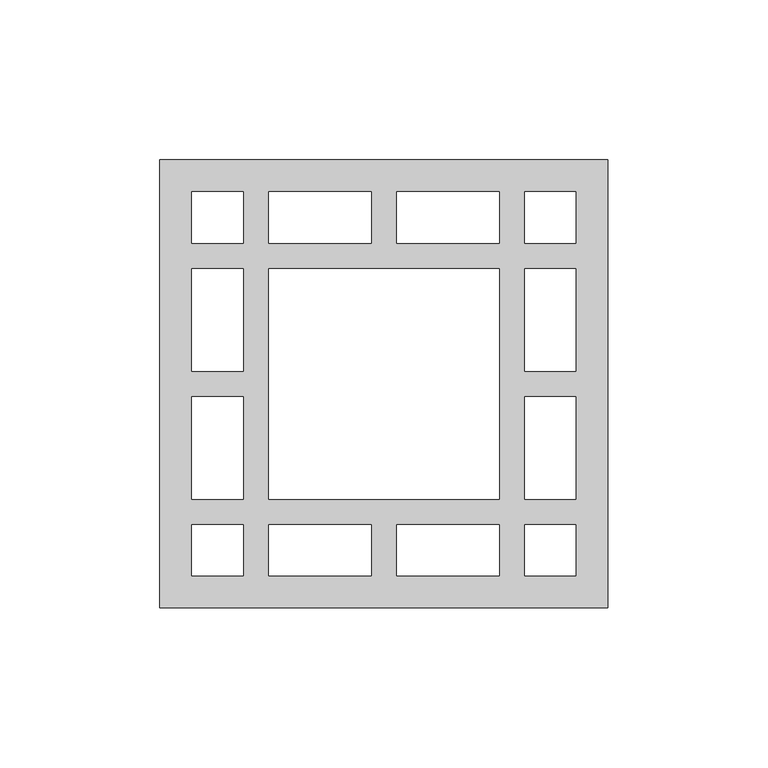
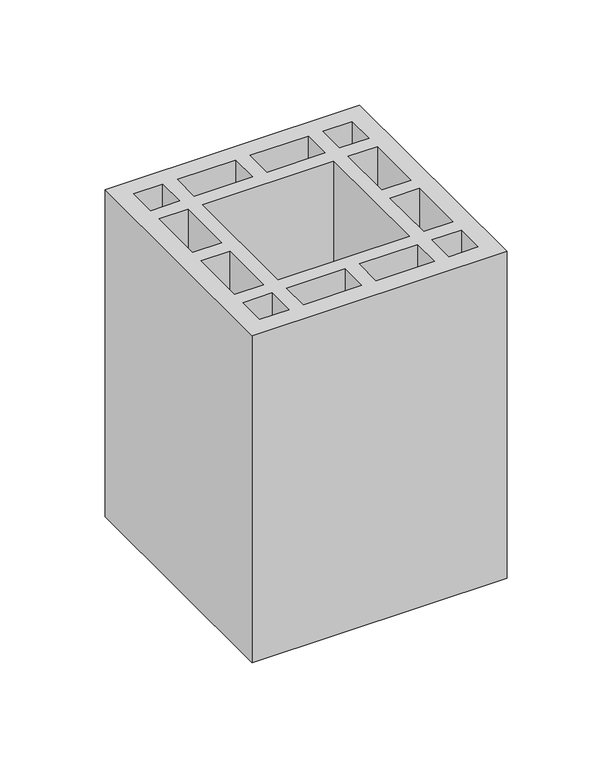
"""IFC4 building model written with IfcOpenShell, lengths in millimetres: proxy geometry."""

from ifc_helpers import new_model, si_unit, origin, origin_with_axes, place, context, project, spatial, polyline, outline, extrude, source, transform, mapped, element, save


def generic_models_c6a2eb3d(model_context):
    return source(origin(), model_context, "Body", "SweptSolid", [
        extrude(outline(polyline([(140.0, 0.0), (0.0, 0.0), (0.0, 140.0), (140.0, 140.0), (140.0, 0.0)]), holes=[polyline([(114.0, 10.0), (130.0, 10.0), (130.0, 26.0), (114.0, 26.0), (114.0, 10.0)]), polyline([(106.0, 34.0), (106.0, 106.0), (34.0, 106.0), (34.0, 34.0), (106.0, 34.0)]), polyline([(130.0, 74.0), (130.0, 106.0), (114.0, 106.0), (114.0, 74.0), (130.0, 74.0)]), polyline([(114.0, 66.0), (114.0, 34.0), (130.0, 34.0), (130.0, 66.0), (114.0, 66.0)]), polyline([(106.0, 10.0), (106.0, 26.0), (74.0, 26.0), (74.0, 10.0), (106.0, 10.0)]), polyline([(34.0, 10.0), (66.0, 10.0), (66.0, 26.0), (34.0, 26.0), (34.0, 10.0)]), polyline([(26.0, 10.0), (26.0, 26.0), (10.0, 26.0), (10.0, 10.0), (26.0, 10.0)]), polyline([(114.0, 130.0), (114.0, 114.0), (130.0, 114.0), (130.0, 130.0), (114.0, 130.0)]), polyline([(106.0, 130.0), (74.0, 130.0), (74.0, 114.0), (106.0, 114.0), (106.0, 130.0)]), polyline([(34.0, 130.0), (34.0, 114.0), (66.0, 114.0), (66.0, 130.0), (34.0, 130.0)]), polyline([(26.0, 130.0), (10.0, 130.0), (10.0, 114.0), (26.0, 114.0), (26.0, 130.0)]), polyline([(10.0, 74.0), (26.0, 74.0), (26.0, 106.0), (10.0, 106.0), (10.0, 74.0)]), polyline([(26.0, 66.0), (10.0, 66.0), (10.0, 34.0), (26.0, 34.0), (26.0, 66.0)])]), origin_with_axes(), (0.0, 0.0, 1.0), 190.0),
    ])


if __name__ == "__main__":
    model = new_model("IFC4")
    model_context = context("Model", 3, world=origin())
    ifc_project = project(units=[si_unit("LENGTHUNIT", "METRE", prefix="MILLI")], contexts=[model_context])
    site = spatial("IfcSite", under=ifc_project)
    building = spatial("IfcBuilding", under=site)
    placement = place(None, origin())
    generic_models_shape = generic_models_c6a2eb3d(model_context)
    element("IfcBuildingElementProxy", 1, Name="Generic Models", at=placement, inside=building, context=model_context, shape_type="MappedRepresentation", body=[
        mapped(generic_models_shape, transform((0.0, 0.0, 0.0), x_axis=(1.0, 0.0, 0.0), y_axis=(0.0, 1.0, 0.0), z_axis=(0.0, 0.0, 1.0))),
    ])
    save(model, "model.ifc")
